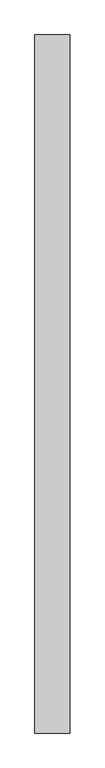
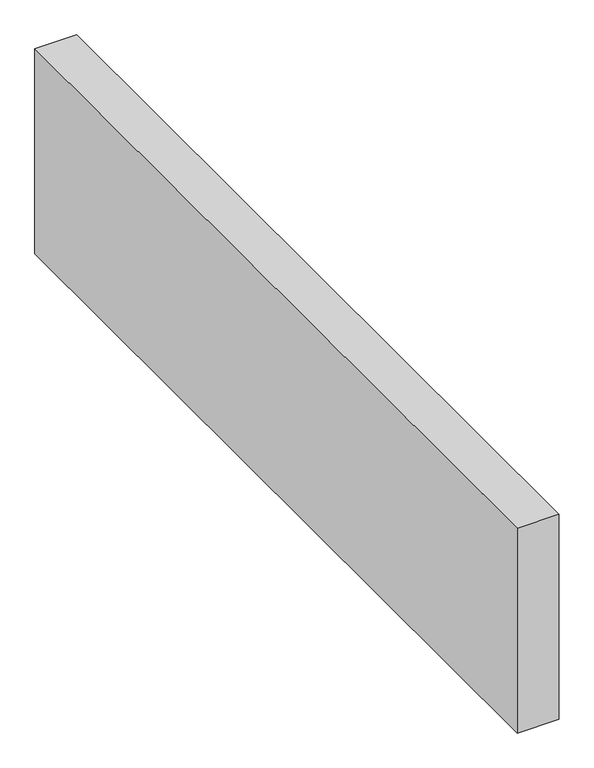
"""IFC4 building model written with IfcOpenShell, lengths in millimetres: proxy geometry."""

from ifc_helpers import new_model, si_unit, origin, origin_with_axes, place, context, project, spatial, polyline, outline, extrude, source, transform, mapped, element, save


def generic_models_de72434f(model_context):
    return source(origin(), model_context, "Body", "SweptSolid", [
        extrude(outline(polyline([(150.0, 2998.0264322), (150.0, 0.0), (0.0, 0.0), (0.0, 2998.0264322), (150.0, 2998.0264322)])), origin_with_axes(), (0.0, 0.0, 1.0), 776.6553396),
    ])


if __name__ == "__main__":
    model = new_model("IFC4")
    model_context = context("Model", 3, world=origin())
    ifc_project = project(units=[si_unit("LENGTHUNIT", "METRE", prefix="MILLI")], contexts=[model_context])
    site = spatial("IfcSite", under=ifc_project)
    building = spatial("IfcBuilding", under=site)
    placement = place(None, origin())
    generic_models_shape = generic_models_de72434f(model_context)
    element("IfcBuildingElementProxy", 1, Name="Generic Models", at=placement, inside=building, context=model_context, shape_type="MappedRepresentation", body=[
        mapped(generic_models_shape, transform((0.0, 0.0, 0.0), x_axis=(1.0, 0.0, 0.0), y_axis=(0.0, 1.0, 0.0), z_axis=(0.0, 0.0, 1.0))),
    ])
    save(model, "model.ifc")
